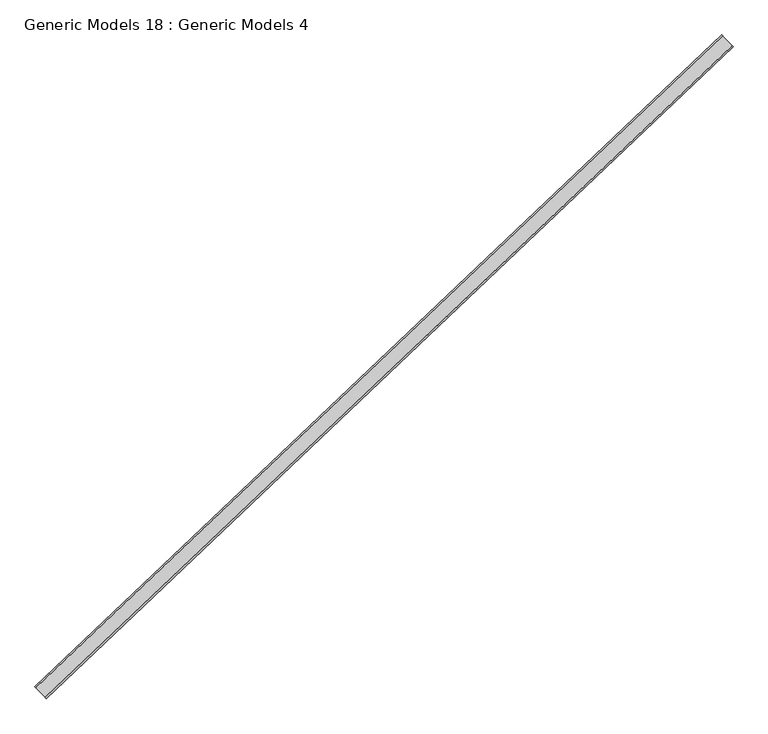
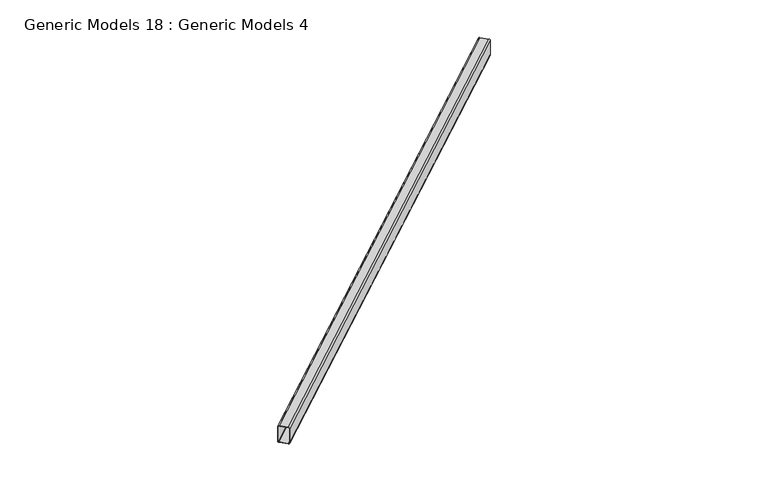
"""IFC4 building model written with IfcOpenShell, lengths in millimetres: proxy geometry, Generic Models 18 : Generic Models 4."""

from ifc_helpers import new_model, si_unit, point, frame, frame_2d, origin, place, context, project, spatial, polyline, circle_curve, trimmed, segment, composite_curve, outline, extrude, source, transform, mapped, element, save


def generic_models_18_generic_models_4_6206c0de(model_context):
    return source(origin(), model_context, "Body", "SweptSolid", [
        extrude(outline(composite_curve([segment(trimmed(circle_curve(frame_2d((-29.5148, 122.8852)), 29.5148), [point((-29.5148, 152.3999999))], [point((0.0, 122.8852))], False, "CARTESIAN"), True, "CONTINUOUS"), segment(polyline([(0.0, 122.8852), (0.0, -122.8852)]), True, "CONTINUOUS"), segment(trimmed(circle_curve(frame_2d((-29.5148, -122.8852)), 29.5148), [point((0.0, -122.8852))], [point((-29.5148, -152.3999999))], False, "CARTESIAN"), True, "CONTINUOUS"), segment(polyline([(-29.5148, -152.3999999), (-478.4852, -152.3999999)]), True, "CONTINUOUS"), segment(trimmed(circle_curve(frame_2d((-478.4852, -122.8852)), 29.5148), [point((-478.4852, -152.3999999))], [point((-508.0, -122.8852))], False, "CARTESIAN"), True, "CONTINUOUS"), segment(polyline([(-508.0, -122.8852), (-508.0, 122.8852)]), True, "CONTINUOUS"), segment(trimmed(circle_curve(frame_2d((-478.4852, 122.8852)), 29.5148), [point((-508.0, 122.8852))], [point((-478.4852, 152.3999999))], False, "CARTESIAN"), True, "CONTINUOUS"), segment(polyline([(-478.4852, 152.3999999), (-29.5148, 152.3999999)]), True, "CONTINUOUS")], self_intersect=False), holes=[composite_curve([segment(polyline([(-14.7574, -122.8852), (-14.7574, 122.8852)]), True, "CONTINUOUS"), segment(trimmed(circle_curve(frame_2d((-29.5148, 122.8852)), 14.7574), [point((-14.7574, 122.8852))], [point((-29.5148, 137.6426))], True, "CARTESIAN"), True, "CONTINUOUS"), segment(polyline([(-29.5148, 137.6426), (-478.4852, 137.6426)]), True, "CONTINUOUS"), segment(trimmed(circle_curve(frame_2d((-478.4852, 122.8852)), 14.7574), [point((-478.4852, 137.6426))], [point((-493.2426, 122.8852))], True, "CARTESIAN"), True, "CONTINUOUS"), segment(polyline([(-493.2426, 122.8852), (-493.2426, -122.8852)]), True, "CONTINUOUS"), segment(trimmed(circle_curve(frame_2d((-478.4852, -122.8852)), 14.7574), [point((-493.2426, -122.8852))], [point((-478.4852, -137.6426))], True, "CARTESIAN"), True, "CONTINUOUS"), segment(polyline([(-478.4852, -137.6426), (-29.5148, -137.6426)]), True, "CONTINUOUS"), segment(trimmed(circle_curve(frame_2d((-29.5148, -122.8852)), 14.7574), [point((-29.5148, -137.6426))], [point((-14.7574, -122.8852))], True, "CARTESIAN"), True, "CONTINUOUS")], self_intersect=False)]), frame((101824.7179726, 42447.0319448, 17118.33), z_axis=(0.725374371012385, 0.6883545756936514, 0.0), x_axis=(0.0, 0.0, 1.0)), (0.0, 0.0, 1.0), 17679.9875),
    ])


if __name__ == "__main__":
    model = new_model("IFC4")
    model_context = context("Model", 3, world=origin())
    ifc_project = project(units=[si_unit("LENGTHUNIT", "METRE", prefix="MILLI")], contexts=[model_context])
    site = spatial("IfcSite", under=ifc_project)
    building = spatial("IfcBuilding", under=site)
    placement = place(None, origin())
    generic_models_18_generic_models_4_shape = generic_models_18_generic_models_4_6206c0de(model_context)
    element("IfcBuildingElementProxy", 1, Name="Generic Models 18 : Generic Models 4", ObjectType="Generic Models 18 : Generic Models 4", at=placement, inside=building, context=model_context, shape_type="MappedRepresentation", body=[
        mapped(generic_models_18_generic_models_4_shape, transform((0.0, 0.0, 0.0), x_axis=(1.0, 0.0, 0.0), y_axis=(0.0, 1.0, 0.0), z_axis=(0.0, 0.0, 1.0))),
    ])
    save(model, "model.ifc")
